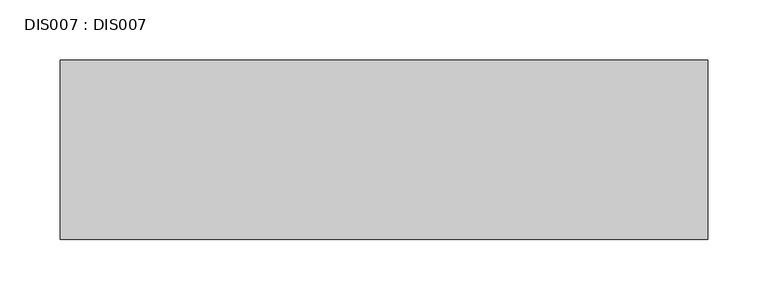
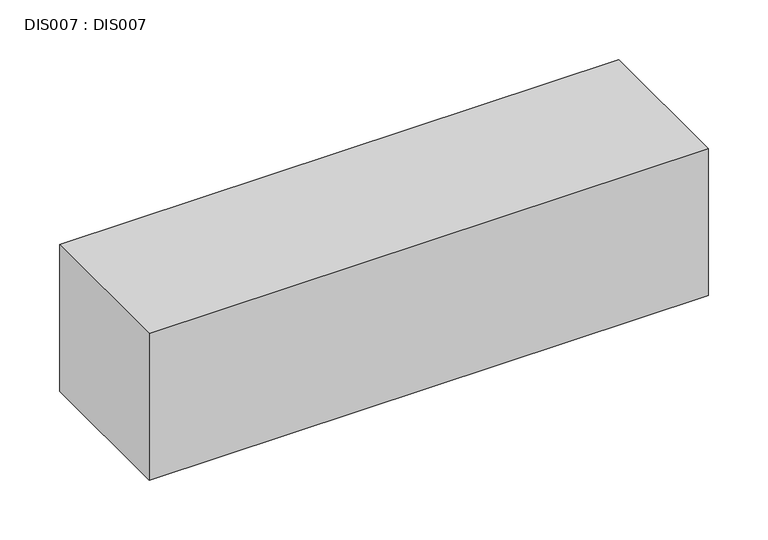
"""IFC4 building model written with IfcOpenShell, lengths in millimetres: proxy geometry, DIS007 : DIS007."""

from ifc_helpers import new_model, si_unit, origin, origin_with_axes, place, context, project, spatial, polyline, outline, extrude, source, transform, mapped, element, save


def dis007_dis007_7a615fa2(model_context):
    return source(origin(), model_context, "Body", "SweptSolid", [
        extrude(outline(polyline([(539.9999969, 0.0), (539.9999969, -150.0000011), (0.0, -150.0000011), (0.0, 0.0), (539.9999969, 0.0)])), origin_with_axes(), (0.0, 0.0, 1.0), 150.0000011),
    ])


if __name__ == "__main__":
    model = new_model("IFC4")
    model_context = context("Model", 3, world=origin())
    ifc_project = project(units=[si_unit("LENGTHUNIT", "METRE", prefix="MILLI")], contexts=[model_context])
    site = spatial("IfcSite", under=ifc_project)
    building = spatial("IfcBuilding", under=site)
    placement = place(None, origin())
    dis007_dis007_shape = dis007_dis007_7a615fa2(model_context)
    element("IfcBuildingElementProxy", 1, Name="DIS007 : DIS007", ObjectType="DIS007 : DIS007", at=placement, inside=building, context=model_context, shape_type="MappedRepresentation", body=[
        mapped(dis007_dis007_shape, transform((0.0, 0.0, 0.0), x_axis=(1.0, 0.0, 0.0), y_axis=(0.0, 1.0, 0.0), z_axis=(0.0, 0.0, 1.0))),
    ])
    save(model, "model.ifc")
